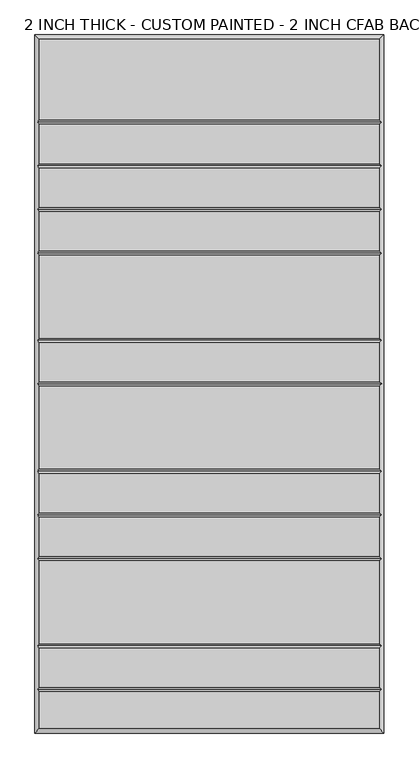
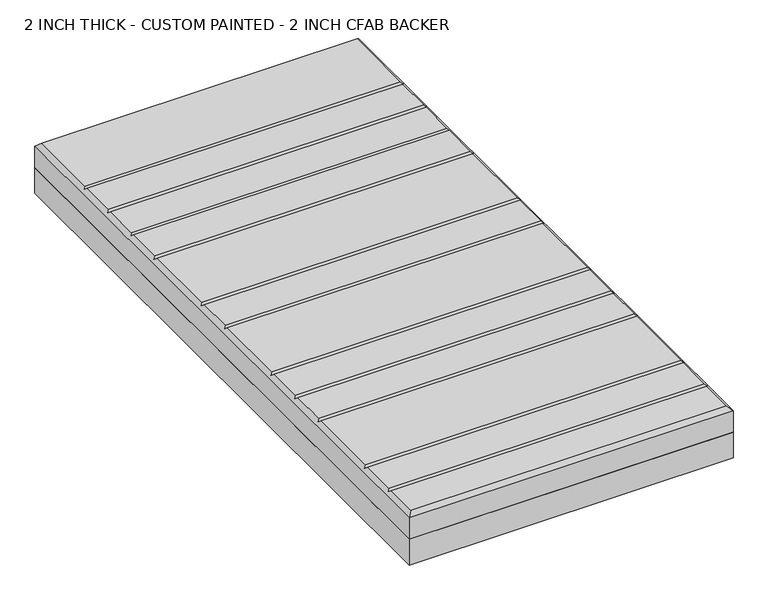
"""IFC4 building model written with IfcOpenShell, lengths in millimetres: proxy geometry, 2 INCH THICK - CUSTOM PAINTED - 2 INCH CFAB BACKER."""

from ifc_helpers import new_model, si_unit, frame, origin, place, context, project, spatial, polyline, outline, extrude, faceted_brep, source, transform, mapped, element, save


def proxy_2_inch_thick_custom_painted_2_inch_cfab_backer_6b114ed3(model_context):
    return source(origin(), model_context, "Body", "SolidModel", [
        extrude(outline(polyline([(-304.8, 609.6), (304.8, 609.6), (304.8, -609.6), (-304.8, -609.6), (-304.8, 609.6)])), frame((0.0, 0.0, -50.8), z_axis=(0.0, 0.0, 1.0), x_axis=(1.0, 0.0, 0.0)), (0.0, 0.0, 1.0), 50.8),
        faceted_brep([(296.799, 601.599, 50.8), (-296.799, 601.599, 50.8), (-296.799, 461.2005, 50.8), (296.799, 461.2005, 50.8), (-296.799, -601.599, 50.8), (296.799, -601.599, 50.8), (296.799, -537.4005, 50.8), (-296.799, -537.4005, 50.8), (296.799, 376.9995, 50.8), (-296.799, 376.9995, 50.8), (-296.799, 308.8005, 50.8), (296.799, 308.8005, 50.8), (-296.799, 385.0005, 50.8), (296.799, 385.0005, 50.8), (296.799, 453.1995, 50.8), (-296.799, 453.1995, 50.8), (296.799, 300.7995, 50.8), (-296.799, 300.7995, 50.8), (-296.799, 232.6005, 50.8), (296.799, 232.6005, 50.8), (296.799, 224.5995, 50.8), (-296.799, 224.5995, 50.8), (-296.799, 80.2005, 50.8), (296.799, 80.2005, 50.8), (296.799, 72.1995, 50.8), (-296.799, 72.1995, 50.8), (-296.799, 4.0005, 50.8), (296.799, 4.0005, 50.8), (296.799, -4.0005, 50.8), (-296.799, -4.0005, 50.8), (-296.799, -148.3995, 50.8), (296.799, -148.3995, 50.8), (296.799, -156.4005, 50.8), (-296.799, -156.4005, 50.8), (-296.799, -224.5995, 50.8), (296.799, -224.5995, 50.8), (296.799, -232.6005, 50.8), (-296.799, -232.6005, 50.8), (-296.799, -300.7995, 50.8), (296.799, -300.7995, 50.8), (296.799, -308.8005, 50.8), (-296.799, -308.8005, 50.8), (-296.799, -453.1995, 50.8), (296.799, -453.1995, 50.8), (296.799, -461.2005, 50.8), (-296.799, -461.2005, 50.8), (-296.799, -529.3995, 50.8), (296.799, -529.3995, 50.8), (-304.8, 609.6, 0.0), (304.8, 609.6, 0.0), (304.8, -609.6, 0.0), (-304.8, -609.6, 0.0), (-304.8, -609.6, 42.799), (-304.8, 609.6, 42.799), (304.8, -609.6, 42.799), (304.8, 609.6, 42.799), (-300.7995, -533.4, 46.7995), (-300.7995, -457.2, 46.7995), (-300.7995, -304.8, 46.7995), (-300.7995, -228.6, 46.7995), (-300.7995, -152.4, 46.7995), (-300.7995, 0.0, 46.7995), (-300.7995, 76.2, 46.7995), (-300.7995, 228.6, 46.7995), (-300.7995, 304.8, 46.7995), (-300.7995, 381.0, 46.7995), (-300.7995, 457.2, 46.7995), (300.7995, 457.2, 46.7995), (300.7995, 381.0, 46.7995), (300.7995, 304.8, 46.7995), (300.7995, 228.6, 46.7995), (300.7995, 76.2, 46.7995), (300.7995, 0.0, 46.7995), (300.7995, -152.4, 46.7995), (300.7995, -228.6, 46.7995), (300.7995, -304.8, 46.7995), (300.7995, -457.2, 46.7995), (300.7995, -533.4, 46.7995)], [[[0, 1, 2, 3]], [[4, 5, 6, 7]], [[8, 9, 10, 11]], [[12, 13, 14, 15]], [[16, 17, 18, 19]], [[20, 21, 22, 23]], [[24, 25, 26, 27]], [[28, 29, 30, 31]], [[32, 33, 34, 35]], [[36, 37, 38, 39]], [[40, 41, 42, 43]], [[44, 45, 46, 47]], [[48, 49, 50, 51]], [[48, 51, 52, 53]], [[51, 50, 54, 52]], [[50, 49, 55, 54]], [[49, 48, 53, 55]], [[53, 1, 0, 55]], [[1, 53, 52, 4, 7, 56, 46, 45, 57, 42, 41, 58, 38, 37, 59, 34, 33, 60, 30, 29, 61, 26, 25, 62, 22, 21, 63, 18, 17, 64, 10, 9, 65, 12, 15, 66, 2]], [[4, 52, 54, 5]], [[55, 0, 3, 67, 14, 13, 68, 8, 11, 69, 16, 19, 70, 20, 23, 71, 24, 27, 72, 28, 31, 73, 32, 35, 74, 36, 39, 75, 40, 43, 76, 44, 47, 77, 6, 5, 54]], [[68, 65, 9, 8]], [[65, 68, 13, 12]], [[69, 64, 17, 16]], [[64, 69, 11, 10]], [[70, 63, 21, 20]], [[63, 70, 19, 18]], [[71, 62, 25, 24]], [[62, 71, 23, 22]], [[72, 61, 29, 28]], [[61, 72, 27, 26]], [[73, 60, 33, 32]], [[60, 73, 31, 30]], [[74, 59, 37, 36]], [[59, 74, 35, 34]], [[75, 58, 41, 40]], [[58, 75, 39, 38]], [[76, 57, 45, 44]], [[57, 76, 43, 42]], [[77, 56, 7, 6]], [[56, 77, 47, 46]], [[67, 66, 15, 14]], [[66, 67, 3, 2]]]),
    ])


if __name__ == "__main__":
    model = new_model("IFC4")
    model_context = context("Model", 3, world=origin())
    ifc_project = project(units=[si_unit("LENGTHUNIT", "METRE", prefix="MILLI")], contexts=[model_context])
    site = spatial("IfcSite", under=ifc_project)
    building = spatial("IfcBuilding", under=site)
    placement = place(None, origin())
    proxy_2_inch_thick_custom_painted_2_inch_cfab_backer_shape = proxy_2_inch_thick_custom_painted_2_inch_cfab_backer_6b114ed3(model_context)
    element("IfcBuildingElementProxy", 1, Name="2 INCH THICK - CUSTOM PAINTED - 2 INCH CFAB BACKER", ObjectType="2 INCH THICK - CUSTOM PAINTED - 2 INCH CFAB BACKER", at=placement, inside=building, context=model_context, shape_type="MappedRepresentation", body=[
        mapped(proxy_2_inch_thick_custom_painted_2_inch_cfab_backer_shape, transform((0.0, 0.0, 0.0), x_axis=(1.0, 0.0, 0.0), y_axis=(0.0, 1.0, 0.0), z_axis=(0.0, 0.0, 1.0))),
    ])
    save(model, "model.ifc")
